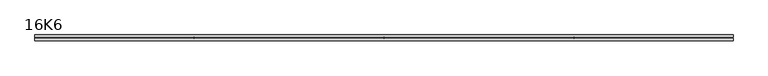
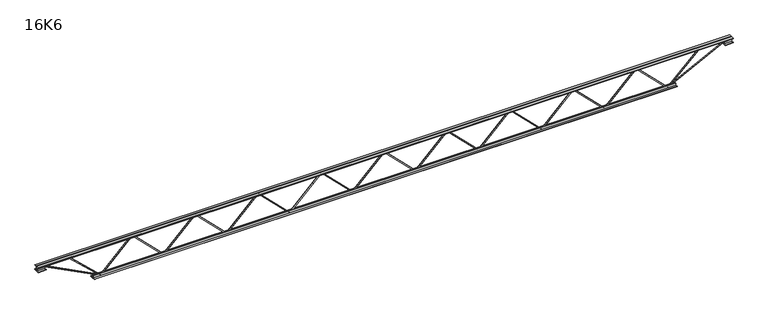
"""IFC4 building model written with IfcOpenShell, lengths in millimetres: beam geometry, 16K6."""

from ifc_helpers import new_model, si_unit, frame, origin, place, context, project, spatial, polyline, outline, extrude, source, transform, mapped, element, save


def beam_16k6_65ae366c(model_context):
    return source(origin(), model_context, "Body", "SweptSolid", [
        extrude(outline(polyline([(-191.9, 2003.0555556), (-201.4, 2003.0555556), (-201.4, 2008.1946752), (191.9, 2402.4557863), (191.9, 2404.877547), (-201.4, 2799.1386581), (-201.4, 2804.2777778), (-191.9, 2804.2777778), (-191.9, 2803.0668974), (201.4, 2408.8057863), (201.4, 2398.527547), (-191.9, 2004.2664359), (-191.9, 2003.0555556)])), frame((0.0, -4.75, 0.0), z_axis=(0.0, 1.0, 0.0), x_axis=(0.0, 0.0, 1.0)), (0.0, 0.0, 1.0), 9.5),
        extrude(outline(polyline([(-191.9, 1201.8333333), (-201.4, 1201.8333333), (-201.4, 1206.972453), (191.9, 1601.2335641), (191.9, 1603.6553248), (-201.4, 1997.9164359), (-201.4, 2003.0555556), (-191.9, 2003.0555556), (-191.9, 2001.8446752), (201.4, 1607.5835641), (201.4, 1597.3053248), (-191.9, 1203.0442137), (-191.9, 1201.8333333)])), frame((0.0, -4.75, 0.0), z_axis=(0.0, 1.0, 0.0), x_axis=(0.0, 0.0, 1.0)), (0.0, 0.0, 1.0), 9.5),
        extrude(outline(polyline([(-191.9, 400.6111111), (-201.4, 400.6111111), (-201.4, 405.7502307), (191.9, 800.0113419), (191.9, 802.4331026), (-201.4, 1196.6942137), (-201.4, 1201.8333333), (-191.9, 1201.8333333), (-191.9, 1200.622453), (201.4, 806.3613419), (201.4, 796.0831026), (-191.9, 401.8219915), (-191.9, 400.6111111)])), frame((0.0, -4.75, 0.0), z_axis=(0.0, 1.0, 0.0), x_axis=(0.0, 0.0, 1.0)), (0.0, 0.0, 1.0), 9.5),
        extrude(outline(polyline([(-191.9, -400.6111111), (-201.4, -400.6111111), (-201.4, -395.4719915), (191.9, -1.2108804), (191.9, 1.2108804), (-201.4, 395.4719915), (-201.4, 400.6111111), (-191.9, 400.6111111), (-191.9, 399.4002307), (201.4, 5.1391196), (201.4, -5.1391196), (-191.9, -399.4002307), (-191.9, -400.6111111)])), frame((0.0, -4.75, 0.0), z_axis=(0.0, 1.0, 0.0), x_axis=(0.0, 0.0, 1.0)), (0.0, 0.0, 1.0), 9.5),
        extrude(outline(polyline([(-191.9, -1201.8333333), (-201.4, -1201.8333333), (-201.4, -1196.6942137), (191.9, -802.4331026), (191.9, -800.0113419), (-201.4, -405.7502307), (-201.4, -400.6111111), (-191.9, -400.6111111), (-191.9, -401.8219915), (201.4, -796.0831026), (201.4, -806.3613419), (-191.9, -1200.622453), (-191.9, -1201.8333333)])), frame((0.0, -4.75, 0.0), z_axis=(0.0, 1.0, 0.0), x_axis=(0.0, 0.0, 1.0)), (0.0, 0.0, 1.0), 9.5),
        extrude(outline(polyline([(-191.9, -2003.0555556), (-201.4, -2003.0555556), (-201.4, -1997.9164359), (191.9, -1603.6553248), (191.9, -1601.2335641), (-201.4, -1206.972453), (-201.4, -1201.8333333), (-191.9, -1201.8333333), (-191.9, -1203.0442137), (201.4, -1597.3053248), (201.4, -1607.5835641), (-191.9, -2001.8446752), (-191.9, -2003.0555556)])), frame((0.0, -4.75, 0.0), z_axis=(0.0, 1.0, 0.0), x_axis=(0.0, 0.0, 1.0)), (0.0, 0.0, 1.0), 9.5),
        extrude(outline(polyline([(-191.9, -2804.2777778), (-201.4, -2804.2777778), (-201.4, -2799.1386581), (191.9, -2404.877547), (191.9, -2402.4557863), (-201.4, -2008.1946752), (-201.4, -2003.0555556), (-191.9, -2003.0555556), (-191.9, -2004.2664359), (201.4, -2398.527547), (201.4, -2408.8057863), (-191.9, -2803.0668974), (-191.9, -2804.2777778)])), frame((0.0, -4.75, 0.0), z_axis=(0.0, 1.0, 0.0), x_axis=(0.0, 0.0, 1.0)), (0.0, 0.0, 1.0), 9.5),
        extrude(outline(polyline([(-191.9, 2804.2777778), (-201.4, 2804.2777778), (-201.4, 2809.4168974), (191.9, 3203.6780085), (191.9, 3206.0997693), (-201.4, 3600.3608804), (-201.4, 3605.5), (-191.9, 3605.5), (-191.9, 3604.2891196), (201.4, 3210.0280085), (201.4, 3199.7497693), (-191.9, 2805.4886581), (-191.9, 2804.2777778)])), frame((0.0, -4.75, 0.0), z_axis=(0.0, 1.0, 0.0), x_axis=(0.0, 0.0, 1.0)), (0.0, 0.0, 1.0), 9.5),
        extrude(outline(polyline([(-191.9, -3605.5), (-201.4, -3605.5), (-201.4, -3600.3608804), (191.9, -3206.0997693), (191.9, -3203.6780085), (-201.4, -2809.4168974), (-201.4, -2804.2777778), (-191.9, -2804.2777778), (-191.9, -2805.4886581), (201.4, -3199.7497693), (201.4, -3210.0280085), (-191.9, -3604.2891196), (-191.9, -3605.5)])), frame((0.0, -4.75, 0.0), z_axis=(0.0, 1.0, 0.0), x_axis=(0.0, 0.0, 1.0)), (0.0, 0.0, 1.0), 9.5),
        extrude(outline(polyline([(4.75, 203.0), (36.75, 203.0), (36.75, 196.5), (11.25, 196.5), (11.25, 171.0), (4.75, 171.0), (4.75, 203.0)])), frame((-4417.5, 0.0, 0.0), z_axis=(1.0, 0.0, 0.0), x_axis=(0.0, 1.0, 0.0)), (0.0, 0.0, 1.0), 8835.0),
        extrude(outline(polyline([(-4.75, 203.0), (-4.75, 171.0), (-11.25, 171.0), (-11.25, 196.5), (-36.75, 196.5), (-36.75, 203.0), (-4.75, 203.0)])), frame((-4417.5, 0.0, 0.0), z_axis=(1.0, 0.0, 0.0), x_axis=(0.0, 1.0, 0.0)), (0.0, 0.0, 1.0), 8835.0),
        extrude(outline(polyline([(-4.75, 139.5), (-36.75, 139.5), (-36.75, 146.0), (-11.25, 146.0), (-11.25, 171.0), (-4.75, 171.0), (-4.75, 139.5)])), frame((-4417.5, 0.0, 0.0), z_axis=(1.0, 0.0, 0.0), x_axis=(0.0, 1.0, 0.0)), (0.0, 0.0, 1.0), 100.0),
        extrude(outline(polyline([(36.75, 139.5), (4.75, 139.5), (4.75, 171.0), (11.25, 171.0), (11.25, 146.0), (36.75, 146.0), (36.75, 139.5)])), frame((-4417.5, 0.0, 0.0), z_axis=(1.0, 0.0, 0.0), x_axis=(0.0, 1.0, 0.0)), (0.0, 0.0, 1.0), 100.0),
        extrude(outline(polyline([(4.75, 139.5), (4.75, 171.0), (11.25, 171.0), (11.25, 146.0), (36.75, 146.0), (36.75, 139.5), (4.75, 139.5)])), frame((4317.5, 0.0, 0.0), z_axis=(1.0, 0.0, 0.0), x_axis=(0.0, 1.0, 0.0)), (0.0, 0.0, 1.0), 100.0),
        extrude(outline(polyline([(-4.75, 139.5), (-36.75, 139.5), (-36.75, 146.0), (-11.25, 146.0), (-11.25, 171.0), (-4.75, 171.0), (-4.75, 139.5)])), frame((4317.5, 0.0, 0.0), z_axis=(1.0, 0.0, 0.0), x_axis=(0.0, 1.0, 0.0)), (0.0, 0.0, 1.0), 100.0),
        extrude(outline(polyline([(4.75, -203.0), (4.75, -171.0), (11.25, -171.0), (11.25, -196.5), (36.75, -196.5), (36.75, -203.0), (4.75, -203.0)])), frame((-3705.5, 0.0, 0.0), z_axis=(1.0, 0.0, 0.0), x_axis=(0.0, 1.0, 0.0)), (0.0, 0.0, 1.0), 7411.0),
        extrude(outline(polyline([(-4.75, -203.0), (-36.75, -203.0), (-36.75, -196.5), (-11.25, -196.5), (-11.25, -171.0), (-4.75, -171.0), (-4.75, -203.0)])), frame((-3705.5, 0.0, 0.0), z_axis=(1.0, 0.0, 0.0), x_axis=(0.0, 1.0, 0.0)), (0.0, 0.0, 1.0), 7411.0),
        extrude(outline(polyline([(-200.8705467, -3607.6793315), (-192.4294533, -3603.3206685), (175.75, -4316.3460208), (175.75, -4417.5), (166.25, -4417.5), (166.25, -4318.6539792), (-200.8705467, -3607.6793315)])), frame((0.0, -4.75, 0.0), z_axis=(0.0, 1.0, 0.0), x_axis=(0.0, 0.0, 1.0)), (0.0, 0.0, 1.0), 9.5),
        extrude(outline(polyline([(188.7, -4026.068254), (179.2, -4026.068254), (179.2, -4015.2402521), (-200.1228397, -3608.7406611), (-193.1771603, -3602.2593389), (188.7, -4011.4962559), (188.7, -4026.068254)])), frame((0.0, -4.75, 0.0), z_axis=(0.0, 1.0, 0.0), x_axis=(0.0, 0.0, 1.0)), (0.0, 0.0, 1.0), 9.5),
        extrude(outline(polyline([(0.0, -9.5), (0.0, 0.0), (801.3179909, 0.0), (801.3179909, -9.5), (0.0, -9.5)])), frame((4319.6793315, -4.75, 166.7794533), z_axis=(-0.4588066213244955, 0.0, 0.8885361468329812), x_axis=(-0.8885361468329812, 0.0, -0.4588066213244955)), (0.0, 0.0, 1.0), 9.5),
        extrude(outline(polyline([(0.0, -9.5), (0.0, 0.0), (571.8513662, 0.0), (571.8513662, -9.5), (0.0, -9.5)])), frame((4023.8922859, -4.75, 193.2018214), z_axis=(-0.6877661280672095, 0.0, 0.7259323336809284), x_axis=(-0.7259323336809284, 0.0, -0.6877661280672095)), (0.0, 0.0, 1.0), 9.5),
    ])


if __name__ == "__main__":
    model = new_model("IFC4")
    model_context = context("Model", 3, world=origin())
    ifc_project = project(units=[si_unit("LENGTHUNIT", "METRE", prefix="MILLI")], contexts=[model_context])
    site = spatial("IfcSite", under=ifc_project)
    building = spatial("IfcBuilding", under=site)
    placement = place(None, origin())
    beam_16k6_shape = beam_16k6_65ae366c(model_context)
    element("IfcBeam", 1, ObjectType="16K6", at=placement, inside=building, context=model_context, shape_type="MappedRepresentation", body=[
        mapped(beam_16k6_shape, transform((0.0, 0.0, 0.0), x_axis=(1.0, 0.0, 0.0), y_axis=(0.0, 1.0, 0.0), z_axis=(0.0, 0.0, 1.0))),
    ])
    save(model, "model.ifc")
